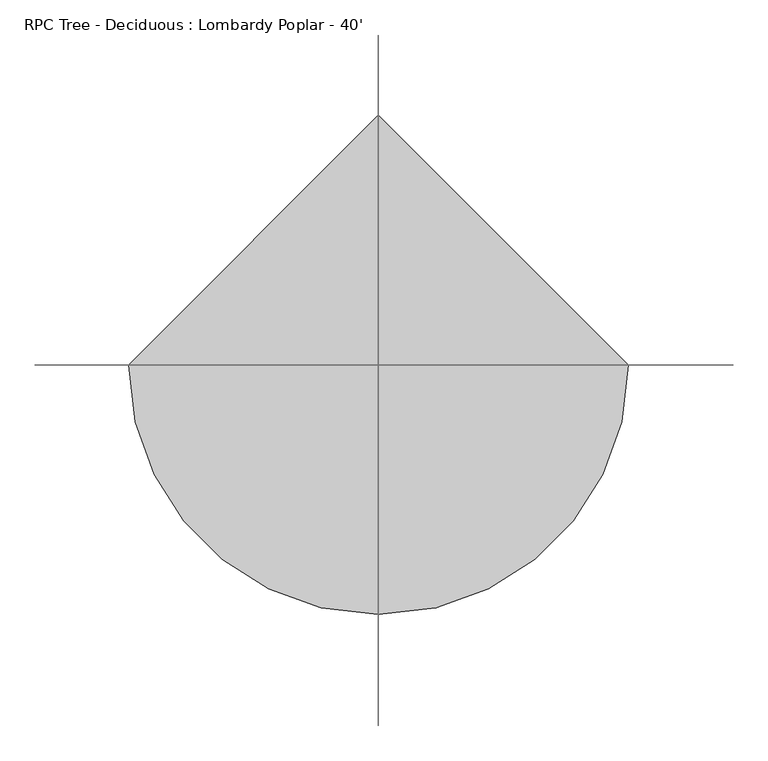
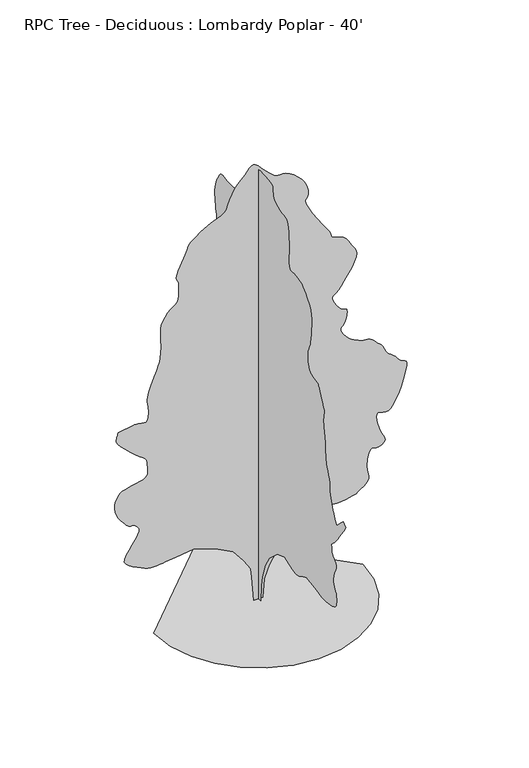
"""IFC4 building model written with IfcOpenShell, lengths in millimetres: geographic element geometry, RPC Tree - Deciduous : Lombardy Poplar - 40'."""

from ifc_helpers import new_model, si_unit, origin, place, context, project, spatial, triangles, source, transform, mapped, element, save


def rpc_tree_deciduous_lombardy_poplar_40_01077960(model_context):
    return source(origin(), model_context, "Body", "Tessellation", [
        triangles([(0.0009695, 113.8156909, 0.0), (0.0009695, -104.8345258, 0.0), (0.0009695, -123.055434, 437.3009239), (0.0009695, -177.7179314, 728.8340738), (0.0009695, -323.483707, 1129.6911467), (0.0009695, -505.6928613, 1439.4461494), (0.0009695, -870.1086628, 1767.420607), (0.0009695, -1216.3049732, 1894.9664555), (0.0009695, -1398.5142002, 1822.0838402), (0.0009695, -1476.390406, 1795.1523445), (0.0009695, -1552.9941605, 1770.6083485), (0.0009695, -1627.0451637, 1750.8472), (0.0009695, -1697.2735806, 1738.2588696), (0.0009695, -1762.3991112, 1735.2286766), (0.0009695, -1821.1516296, 1744.1542946), (0.0009695, -1872.2563591, 1767.420607), (0.0009695, -1919.1091679, 1797.0624023), (0.0009695, -1965.9644474, 1823.8364948), (0.0009695, -2012.8172562, 1848.2204716), (0.0009695, -2059.6700649, 1870.6891582), (0.0009695, -2106.5227283, 1891.7279903), (0.0009695, -2153.3780079, 1911.8067066), (0.0009695, -2200.2308167, 1931.4103065), (0.0009695, -2582.8711235, 1876.7470734), (0.0009695, -2649.2156204, 1861.2353748), (0.0009695, -2715.4080917, 1846.3611374), (0.0009695, -2781.27006, 1832.7619675), (0.0009695, -2846.6750793, 1821.0754715), (0.0009695, -2911.4196739, 1811.9366398), (0.0009695, -2975.3765259, 1805.987875), (0.0009695, -3038.3939003, 1803.8619873), (0.0009695, -3111.6472778, 1806.252103), (0.0009695, -3200.5217949, 1814.0625275), (0.0009695, -3296.0764275, 1828.2459641), (0.0009695, -3389.4213112, 1849.7596218), (0.0009695, -3471.5901329, 1879.5614365), (0.0009695, -3533.6930283, 1918.6062916), (0.0009695, -3566.7892639, 1967.8516869), (0.0009695, -3579.2353065, 2021.4507408), (0.0009695, -3585.9154221, 2073.1371208), (0.0009695, -3587.8205383, 2123.2333363), (0.0009695, -3585.9154221, 2172.0521587), (0.0009695, -3581.1401321, 2219.915807), (0.0009695, -3574.4347275, 2267.139378), (0.0009695, -3566.7892639, 2314.0455265), (0.0009695, -3532.0422569, 2353.5170998), (0.0009695, -3499.7078934, 2395.5361919), (0.0009695, -3472.1235306, 2442.6555542), (0.0009695, -3451.7273918, 2497.4231415), (0.0009695, -3440.907122, 2562.3988266), (0.0009695, -3441.9992065, 2640.0972816), (0.0009695, -3457.4677391, 2733.1372421), (0.0009695, -3484.5187042, 2825.1865654), (0.0009695, -3515.3799019, 2900.6752716), (0.0009695, -3544.9708282, 2963.0830902), (0.0009695, -3568.1862717, 3015.940329), (0.0009695, -3579.9210205, 3062.7525879), (0.0009695, -3575.0695724, 3106.9993057), (0.0009695, -3548.5775848, 3152.2110809), (0.0009695, -3509.7918709, 3193.1050964), (0.0009695, -3472.6063499, 3225.0836678), (0.0009695, -3438.6212151, 3252.6171616), (0.0009695, -3409.3857903, 3280.1253662), (0.0009695, -3386.5511375, 3312.1039375), (0.0009695, -3371.6668716, 3352.997953), (0.0009695, -3366.3581841, 3407.3030685), (0.0009695, -3362.7005585, 3460.5158089), (0.0009695, -3354.9027786, 3498.4634926), (0.0009695, -3347.7145546, 3525.8699593), (0.0009695, -3345.9620453, 3547.5360786), (0.0009695, -3354.4202499, 3568.2624298), (0.0009695, -3377.8388786, 3592.7987228), (0.0009695, -3421.0188011, 3625.9458275), (0.0009695, -3481.5215034, 3679.8698616), (0.0009695, -3552.5654228, 3760.5655174), (0.0009695, -3632.3465996, 3863.5624283), (0.0009695, -3719.1381042, 3984.4155167), (0.0009695, -3811.2130074, 4118.6541252), (0.0009695, -3906.7676399, 4261.8084686), (0.0009695, -4004.1003616, 4409.432888), (0.0009695, -3894.7788368, 4518.779702), (0.0009695, -3749.0086647, 4391.221209), (0.0009695, -3603.2382019, 4227.2390671), (0.0009695, -3579.7434151, 4258.785688), (0.0009695, -3555.9689941, 4292.2630051), (0.0009695, -3531.5088593, 4329.5499733), (0.0009695, -3506.1342453, 4372.5775795), (0.0009695, -3479.4643616, 4423.2506493), (0.0009695, -3451.1939941, 4483.4992973), (0.0009695, -3421.0188011, 4555.2033508), (0.0009695, -3390.0055779, 4628.5837555), (0.0009695, -3360.2623352, 4695.8683113), (0.0009695, -3333.0587631, 4762.2383881), (0.0009695, -3309.6910034, 4832.7233299), (0.0009695, -3291.4028755, 4912.4536377), (0.0009695, -3279.5158104, 5006.5351044), (0.0009695, -3275.248629, 5120.0473618), (0.0009695, -3267.0697678, 5234.8554703), (0.0009695, -3245.5050957, 5333.3820145), (0.0009695, -3215.0252701, 5421.7481323), (0.0009695, -3180.0747871, 5505.9238083), (0.0009695, -3145.0993057, 5592.0551788), (0.0009695, -3114.6191895, 5686.1110657), (0.0009695, -3093.0545174, 5794.238768), (0.0009695, -3079.5672592, 5892.1298859), (0.0009695, -3069.8899429, 5959.4403122), (0.0009695, -3063.4130127, 6007.9286316), (0.0009695, -3059.4760437, 6049.4319122), (0.0009695, -3057.4691895, 6095.6854843), (0.0009695, -3056.7073174, 6158.5246719), (0.0009695, -3056.6055794, 6249.735965), (0.0009695, -3052.5671631, 6343.1320084), (0.0009695, -3042.1532639, 6412.2958099), (0.0009695, -3027.9291321, 6468.709227), (0.0009695, -3012.4097305, 6523.8523727), (0.0009695, -2998.1858894, 6589.2065231), (0.0009695, -2987.7716995, 6676.2017944), (0.0009695, -2983.7332832, 6796.3688782), (0.0009695, -2989.2957344, 6908.7381821), (0.0009695, -3001.5638809, 6976.78461), (0.0009695, -3013.8576073, 7018.6948425), (0.0009695, -3019.4200584, 7052.6288177), (0.0009695, -3011.6222786, 7096.7737976), (0.0009695, -2983.7332832, 7169.2908829), (0.0009695, -2929.0723755, 7288.340593), (0.0009695, -2866.7410057, 7418.1088348), (0.0009695, -2818.7857933, 7514.4256302), (0.0009695, -2782.7688057, 7582.8528488), (0.0009695, -2756.3021072, 7628.9541046), (0.0009695, -2737.0233421, 7658.3418457), (0.0009695, -2722.5201576, 7676.5535248), (0.0009695, -2710.4043274, 7689.2027527), (0.0009695, -2636.5666832, 7701.2421341), (0.0009695, -2564.8117607, 7715.3901077), (0.0009695, -2497.1818771, 7733.6523651), (0.0009695, -2435.7748695, 7758.1380798), (0.0009695, -2382.6507866, 7790.9296829), (0.0009695, -2339.8900246, 7834.0584457), (0.0009695, -2309.5548122, 7889.6335419), (0.0009695, -2289.3160767, 7951.0257248), (0.0009695, -2274.8152176, 8010.5377899), (0.0009695, -2265.0921192, 8068.4243729), (0.0009695, -2259.1968395, 8125.0662643), (0.0009695, -2256.1691174, 8180.7425171), (0.0009695, -2255.0515984, 8235.7589264), (0.0009695, -2254.8940498, 8290.4707031), (0.0009695, -2285.970932, 8345.7405853), (0.0009695, -2316.0901691, 8404.491069), (0.0009695, -2344.2968777, 8470.25159), (0.0009695, -2369.6358833, 8546.5277481), (0.0009695, -2391.1521572, 8636.8495605), (0.0009695, -2407.8857288, 8744.6726303), (0.0009695, -2418.8812786, 8873.551973), (0.0009695, -2430.0903328, 9004.9206985), (0.0009695, -2443.8493767, 9121.3031296), (0.0009695, -2453.7833633, 9227.8303482), (0.0009695, -2453.5168098, 9329.5572784), (0.0009695, -2436.6765587, 9431.5888412), (0.0009695, -2396.8874176, 9539.0561188), (0.0009695, -2327.7766651, 9657.0390335), (0.0009695, -2247.8811058, 9768.2398041), (0.0009695, -2177.228587, 9854.8798645), (0.0009695, -2111.6764835, 9921.4269653), (0.0009695, -2047.0792637, 9972.3796692), (0.0009695, -1979.2969185, 10012.156311), (0.0009695, -1904.1815907, 10045.2519653), (0.0009695, -1817.5931259, 10076.1128723), (0.0009695, -1725.5334835, 10094.8326599), (0.0009695, -1638.891679, 10096.3058258), (0.0009695, -1560.8554539, 10092.3688568), (0.0009695, -1494.6124043, 10094.8326599), (0.0009695, -1443.3501263, 10115.4325653), (0.0009695, -1410.2540359, 10166.0038971), (0.0009695, -1398.5142002, 10258.3319824), (0.0009695, -1400.4267288, 10362.6756134), (0.0009695, -1404.8895378, 10448.1971375), (0.0009695, -1409.9898079, 10525.1087219), (0.0009695, -1413.8125397, 10603.619046), (0.0009695, -1414.4501461, 10693.9414398), (0.0009695, -1409.9898079, 10806.2345856), (0.0009695, -1398.5142002, 10950.7350677), (0.0009695, -1382.6849339, 11097.4458801), (0.0009695, -1365.5779839, 11211.9737732), (0.0009695, -1345.9235149, 11297.8255096), (0.0009695, -1322.4438435, 11358.4811096), (0.0009695, -1293.8637566, 11397.4694275), (0.0009695, -1258.9083321, 11418.297226), (0.0009695, -1216.3049732, 11424.470105), (0.0009695, -1155.4822323, 11429.9813965), (0.0009695, -1073.3006933, 11446.3641174), (0.0009695, -979.6484882, 11473.2380585), (0.0009695, -884.3986336, 11510.3218414), (0.0009695, -797.4393339, 11557.2608368), (0.0009695, -728.6460766, 11613.8015717), (0.0009695, -687.9020519, 11679.5615112), (0.0009695, -672.8677952, 11749.3607391), (0.0009695, -668.0341513, 11816.289212), (0.0009695, -663.5180752, 11877.4785004), (0.0009695, -649.4413908, 11930.0811035), (0.0009695, -615.9210531, 11971.2041748), (0.0009695, -553.0790314, 11997.9757965), (0.0009695, -451.0296281, 12007.5263763), (0.0009695, -327.7864603, 12011.2087097), (0.0009695, -210.2816959, 12019.0070709), (0.0009695, -102.0189364, 12026.1694244), (0.0009695, -6.5056406, 12027.9216431), (0.0009695, 72.7523407, 12019.4895996), (0.0009695, 132.2489498, 11996.0700989), (0.0009695, 168.4781792, 11952.8657593), (0.0009695, 190.2581361, 11903.7920105), (0.0009695, 211.0820467, 11861.400412), (0.0009695, 234.4553475, 11819.0076508), (0.0009695, 263.8852554, 11769.9094849), (0.0009695, 302.8767344, 11707.4505066), (0.0009695, 354.9364746, 11624.9008942), (0.0009695, 423.5697126, 11515.57966), (0.0009695, 499.5867296, 11399.1204895), (0.0009695, 572.09851, 11297.9778259), (0.0009695, 642.0601553, 11209.5867096), (0.0009695, 710.4292379, 11131.3798553), (0.0009695, 778.1582434, 11060.8446259), (0.0009695, 846.2072874, 10995.3881561), (0.0009695, 915.531399, 10932.4978088), (0.0009695, 983.7404623, 10880.5556305), (0.0009695, 1048.444289, 10847.0786041), (0.0009695, 1110.5954372, 10828.282077), (0.0009695, 1171.1565662, 10820.3069824), (0.0009695, 1231.077618, 10819.3407623), (0.0009695, 1291.3160923, 10821.5766724), (0.0009695, 1352.8322502, 10823.1765747), (0.0009695, 1419.1287849, 10828.7646057), (0.0009695, 1490.5254444, 10841.0324615), (0.0009695, 1563.194846, 10853.3014801), (0.0009695, 1633.3164379, 10858.8639313), (0.0009695, 1697.0626923, 10851.0655701), (0.0009695, 1750.6084064, 10823.1765747), (0.0009695, 1790.1333195, 10768.5159576), (0.0009695, 1824.1844387, 10700.9526398), (0.0009695, 1861.7408672, 10636.2333344), (0.0009695, 1899.617189, 10570.5745514), (0.0009695, 1934.6234825, 10500.1404785), (0.0009695, 1963.5743317, 10421.0953033), (0.0009695, 1983.2847565, 10329.6299561), (0.0009695, 1990.5617832, 10221.8830444), (0.0009695, 1988.4357502, 10111.0130676), (0.0009695, 1982.4871307, 10010.9877777), (0.0009695, 1973.3507698, 9919.2433777), (0.0009695, 1961.6642738, 9833.2381622), (0.0009695, 1948.0651039, 9750.4350769), (0.0009695, 1933.1908665, 9668.2656738), (0.0009695, 1917.6791679, 9584.1667374), (0.0009695, 1914.3314072, 9505.3761978), (0.0009695, 1931.0649788, 9438.0663528), (0.0009695, 1961.1842159, 9378.0967575), (0.0009695, 1997.9989746, 9321.3025497), (0.0009695, 2034.813588, 9263.5682831), (0.0009695, 2064.9328251, 9200.7290955), (0.0009695, 2081.6663967, 9128.6439606), (0.0009695, 2081.1888096, 9058.6668365), (0.0009695, 2066.6854797, 9001.7964706), (0.0009695, 2041.9840805, 8953.1808334), (0.0009695, 2010.9071983, 8908.0707962), (0.0009695, 1977.2826519, 8861.6904877), (0.0009695, 1944.9307022, 8809.2646179), (0.0009695, 1917.6791679, 8745.9934799), (0.0009695, 1901.8472855, 8673.7048691), (0.0009695, 1900.361475, 8598.2164536), (0.0009695, 1911.9412914, 8520.8229218), (0.0009695, 1935.3142834, 8442.7939636), (0.0009695, 1969.2055286, 8365.374852), (0.0009695, 2012.3422852, 8289.8864365), (0.0009695, 2063.4443985, 8217.5978256), (0.0009695, 2116.1951031, 8158.060762), (0.0009695, 2166.3955273, 8113.7884644), (0.0009695, 2215.9584904, 8075.6123062), (0.0009695, 2266.796521, 8034.2101822), (0.0009695, 2320.8222931, 7980.4134659), (0.0009695, 2379.9457191, 7904.924469), (0.0009695, 2446.0820892, 7798.5239868), (0.0009695, 2515.4595406, 7684.1478287), (0.0009695, 2583.8870499, 7588.5931961), (0.0009695, 2652.6194824, 7508.3039108), (0.0009695, 2722.9518173, 7439.8511124), (0.0009695, 2796.1546165, 7379.653624), (0.0009695, 2873.4972794, 7324.2558426), (0.0009695, 2956.2759476, 7270.103334), (0.0009695, 3039.9940933, 7227.3042023), (0.0009695, 3119.5720848, 7202.0063278), (0.0009695, 3195.3148453, 7185.0137604), (0.0009695, 3267.5522964, 7167.0555542), (0.0009695, 3336.6149414, 7138.9125046), (0.0009695, 3402.807122, 7091.3130844), (0.0009695, 3466.4593414, 7015.0113464), (0.0009695, 3525.2604034, 6921.5903046), (0.0009695, 3575.4506538, 6829.7441666), (0.0009695, 3615.1508469, 6741.0728348), (0.0009695, 3642.3797081, 6657.2023727), (0.0009695, 3655.3082794, 6579.6815231), (0.0009695, 3651.9552864, 6510.1619293), (0.0009695, 3630.4414833, 6450.1673355), (0.0009695, 3590.004998, 6392.5348068), (0.0009695, 3534.6075073, 6330.4316208), (0.0009695, 3469.3295151, 6266.1192673), (0.0009695, 3399.2512344, 6201.7813339), (0.0009695, 3329.5028755, 6139.6781479), (0.0009695, 3265.1646515, 6082.0456192), (0.0009695, 3211.3676445, 6031.0934967), (0.0009695, 3161.7869499, 5985.0939789), (0.0009695, 3109.3613708, 5939.7298874), (0.0009695, 3057.8758507, 5893.4001572), (0.0009695, 3011.1906189, 5844.5304657), (0.0009695, 2973.1159081, 5791.5209106), (0.0009695, 2947.4366615, 5732.7710083), (0.0009695, 2938.0386887, 5666.680275), (0.0009695, 2934.1778778, 5597.4141541), (0.0009695, 2924.8816429, 5529.7235184), (0.0009695, 2913.6547119, 5463.0235199), (0.0009695, 2904.0535538, 5396.6025742), (0.0009695, 2899.5323181, 5329.8764145), (0.0009695, 2903.6218941, 5262.2113586), (0.0009695, 2919.8270096, 5192.9452377), (0.0009695, 2944.8458313, 5126.3719757), (0.0009695, 2972.7351173, 5066.5046997), (0.0009695, 3003.0117577, 5012.2248734), (0.0009695, 3035.1935143, 4962.3901245), (0.0009695, 3068.8231476, 4915.908078), (0.0009695, 3103.4178383, 4871.6613602), (0.0009695, 3138.4697685, 4828.5323067), (0.0009695, 3181.1415825, 4835.3141602), (0.0009695, 3222.035598, 4836.0760323), (0.0009695, 3259.4243042, 4824.696785), (0.0009695, 3291.5807716, 4795.1567276), (0.0009695, 3316.7013313, 4741.4102989), (0.0009695, 3333.0587631, 4657.3619408), (0.0009695, 3338.9008484, 4536.9916718), (0.0009695, 3338.9008484, 3935.6984322), (0.0009695, 3345.6065437, 3757.6444748), (0.0009695, 3361.2273926, 3611.1377197), (0.0009695, 3379.0582809, 3492.0371407), (0.0009695, 3392.4440918, 3396.2031647), (0.0009695, 3394.6791298, 3319.4953468), (0.0009695, 3379.0582809, 3257.747953), (0.0009695, 3338.9008484, 3206.8719887), (0.0009695, 3281.573243, 3178.2461197), (0.0009695, 3221.7053856, 3174.1568344), (0.0009695, 3163.4380119, 3176.747374), (0.0009695, 3110.9106949, 3168.187722), (0.0009695, 3068.2388809, 3130.6466995), (0.0009695, 3039.6130119, 3046.21726), (0.0009695, 3029.1482437, 2897.119384), (0.0009695, 3036.0571243, 2732.8070297), (0.0009695, 3053.1514297, 2608.9823204), (0.0009695, 3075.0460236, 2517.0268867), (0.0009695, 3096.3057724, 2448.3400909), (0.0009695, 3111.4949615, 2394.3144642), (0.0009695, 3115.2034561, 2346.3441364), (0.0009695, 3102.0208305, 2295.8261444), (0.0009695, 3089.0669701, 2254.1778145), (0.0009695, 3089.803553, 2232.6106716), (0.0009695, 3093.4355988, 2222.1992432), (0.0009695, 3089.0669701, 2214.0179111), (0.0009695, 3065.9021049, 2199.1436737), (0.0009695, 3013.0954445, 2168.6510582), (0.0009695, 2919.8270096, 2113.6169174), (0.0009695, 2822.3419716, 2052.8450455), (0.0009695, 2753.55867, 2008.9666191), (0.0009695, 2697.5010452, 1978.7940422), (0.0009695, 2638.2683235, 1959.1395733), (0.0009695, 2559.9350235, 1946.8154709), (0.0009695, 2446.5088074, 1938.6341389), (0.0009695, 2282.0948605, 1931.4103065), (0.0009695, 2105.8903542, 1933.6938881), (0.0009695, 1963.4702682, 1951.9132702), (0.0009695, 1848.4591198, 1979.6982021), (0.0009695, 1754.4869488, 2010.665934), (0.0009695, 1675.1755108, 2038.4483952), (0.0009695, 1604.1522297, 2056.670248), (0.0009695, 1535.0414772, 2058.9536842), (0.0009695, 1460.510416, 2049.0198429), (0.0009695, 1378.3312752, 2035.2631245), (0.0009695, 1289.7769421, 2018.3163391), (0.0009695, 1196.1221935, 1998.8218895), (0.0009695, 1098.6447859, 1977.4122952), (0.0009695, 998.6146271, 1954.7301041), (0.0009695, 897.3120169, 1931.4103065), (0.0009695, 532.8936719, 1639.8747585), (0.0009695, 314.2457534, 1166.1349977), (0.0009695, 168.4781792, 601.2881527), (120.1776209, 0.0005334, 0.0085345), (-116.69275, 0.0005334, 0.0085345), (-171.3552383, 0.0004849, 655.9590162), (-207.7973272, 0.0004849, 911.0508585), (-390.006209, 0.0004607, 1202.5839357), (-663.3174334, 0.0004364, 1548.7803188), (-1137.0596649, 0.0004122, 1803.8721611), (-1720.1284355, 0.0004122, 1986.078772), (-2193.8681236, 0.0004122, 1931.4180096), (-2467.1819641, 0.0004122, 1894.9766293), (-2533.7959213, 0.0004122, 1885.46689), (-2607.4327057, 0.0004122, 1874.6820831), (-2686.1473778, 0.0004122, 1865.812421), (-2768.0621452, 0.0004122, 1862.0405582), (-2851.2468933, 0.0004122, 1866.556707), (-2933.7967964, 0.0004122, 1882.5459927), (-3013.8067383, 0.0004122, 1913.1960114), (-3104.2814484, 0.0004122, 1955.5886272), (-3210.9865631, 0.0004122, 2004.6715324), (-3321.222567, 0.0004122, 2060.4522846), (-3422.2126236, 0.0004122, 2122.9234715), (-3501.2066391, 0.0003879, 2192.0875637), (-3545.4533569, 0.0003879, 2267.9445614), (-3542.2021019, 0.0003879, 2350.4969353), (-3495.1869484, 0.0003879, 2447.2326004), (-3424.930481, 0.0003879, 2559.9094437), (-3343.8031654, 0.0003637, 2679.898922), (-3264.2757523, 0.0003637, 2798.6437088), (-3198.7692856, 0.0003637, 2907.4824142), (-3159.7295174, 0.0003394, 2997.8300972), (-3159.5772011, 0.0003394, 3061.1015259), (-3182.9958298, 0.0003394, 3103.1893639), (-3206.4147491, 0.0003394, 3136.6411011), (-3229.8589577, 0.0003394, 3162.9554832), (-3253.2775864, 0.0003394, 3183.5039383), (-3276.6962151, 0.0003394, 3199.7599228), (-3300.1404236, 0.0003394, 3213.1457336), (-3323.559343, 0.0003394, 3225.1089569), (-3347.1558678, 0.0003394, 3221.5783585), (-3371.6921608, 0.0003394, 3220.486274), (-3398.1335701, 0.0003394, 3224.1438995), (-3427.4704422, 0.0003394, 3234.9897491), (-3460.6175468, 0.0003394, 3255.3858879), (-3498.5396507, 0.0003394, 3287.7199608), (-3542.2021019, 0.0003394, 3334.4304817), (-3593.6370438, 0.0003394, 3395.5174507), (-3650.1519081, 0.0003152, 3468.3897469), (-3705.7270042, 0.0003152, 3551.4730476), (-3754.2664833, 0.0003152, 3643.1668694), (-3789.7500732, 0.0003152, 3741.8713097), (-3806.1330849, 0.0002909, 3845.9855942), (-3797.2937988, 0.0002909, 3953.9354004), (-3771.4366562, 0.0002909, 4051.5730453), (-3739.8138771, 0.0002909, 4128.1791252), (-3701.2057686, 0.0002909, 4187.2342415), (-3654.2920624, 0.0002667, 4232.2937004), (-3597.828067, 0.0002667, 4266.812233), (-3530.518222, 0.0002667, 4294.3457268), (-3451.117836, 0.0002667, 4318.3486221), (-3356.8078949, 0.0002667, 4338.3131012), (-3252.3378181, 0.0002667, 4355.4326958), (-3147.5122398, 0.0002667, 4375.7270966), (-3052.2622398, 0.0002667, 4405.2674446), (-2976.4689011, 0.0002667, 4450.0981384), (-2929.9868546, 0.0002667, 4516.2906097), (-2922.6971832, 0.0002667, 4609.8895477), (-2933.5936111, 0.0002425, 4707.6283493), (-2938.4197701, 0.0002425, 4784.9713028), (-2942.3058701, 0.0002425, 4846.0582718), (-2950.332415, 0.0002425, 4895.0291199), (-2967.578746, 0.0002425, 4936.0504532), (-2999.2018158, 0.0002425, 4973.2359741), (-3050.2556763, 0.0002425, 5010.7517075), (-3135.4978569, 0.0002182, 5072.041571), (-3254.8777794, 0.0002182, 5168.7141586), (-3391.1232422, 0.0002182, 5287.0778641), (-3527.0637817, 0.0002182, 5413.3916656), (-3645.4783562, 0.000194, 5533.9906998), (-3729.1459236, 0.000194, 5635.1333633), (-3760.8704407, 0.000194, 5703.129213), (-3759.2702477, 0.000194, 5747.3247711), (-3754.799881, 0.000194, 5786.7456207), (-3747.9418694, 0.000194, 5822.178923), (-3739.1787415, 0.0001697, 5854.4112579), (-3728.9933167, 0.0001697, 5884.2815277), (-3717.8428345, 0.0001697, 5912.5263153), (-3706.2095329, 0.0001697, 5940.0089401), (-3268.8984352, 0.0001697, 6012.8818176), (-3174.1312546, 0.0001697, 6014.48172), (-3093.0545174, 0.0001697, 5998.8605804), (-3026.0240158, 0.0001697, 5982.2743835), (-2973.319384, 0.0001697, 5981.0046936), (-2935.2955421, 0.0001697, 6011.2813339), (-2912.232415, 0.0001697, 6089.3864502), (-2904.4852135, 0.0001697, 6231.5242859), (-2910.9624344, 0.0001455, 6377.1421417), (-2925.0848282, 0.0001455, 6470.4870255), (-2938.9022987, 0.0001455, 6535.1301727), (-2944.4394608, 0.0001455, 6594.6678177), (-2933.6953491, 0.0001212, 6672.7217743), (-2898.7448662, 0.0001212, 6792.8126999), (-2831.5873375, 0.0001212, 6978.5879883), (-2754.346122, 9.7e-05, 7175.5649185), (-2693.3861801, 9.7e-05, 7325.0435852), (-2647.0567406, 9.7e-05, 7444.2456116), (-2613.8081886, 7.27e-05, 7550.3920395), (-2592.0150421, 7.27e-05, 7660.678331), (-2580.127977, 7.27e-05, 7792.3011108), (-2576.4956406, 4.85e-05, 7962.5064194), (-2580.0009499, 4.85e-05, 8135.9626923), (-2586.7063545, 4.85e-05, 8272.4363388), (-2590.8467995, 2.42e-05, 8381.8087326), (-2586.7063545, 2.42e-05, 8473.985083), (-2568.5455444, 2.42e-05, 8558.8211838), (-2530.6106506, 2.42e-05, 8646.1972458), (-2467.1819641, 0.0, 8746.0190598), (-2393.5550629, 0.0, 8838.8046753), (-2328.8511635, 0.0, 8903.8797729), (-2273.0728821, 0.0, 8949.1932861), (-2226.2200733, 0.0, 8982.7208908), (-2188.2902664, 0.0, 9012.4138458), (-2159.2860775, 0.0, 9046.2460831), (-2139.2048904, 0.0, 9092.1950226), (-2125.7124001, -2.42e-05, 9135.3493652), (-2116.0452576, -2.42e-05, 9162.8575699), (-2109.5630951, -2.42e-05, 9185.920697), (-2105.6338291, -2.42e-05, 9215.6642303), (-2103.6144756, -2.42e-05, 9263.2636505), (-2102.8701897, -2.42e-05, 9339.8700211), (-2102.7661263, -2.42e-05, 9456.6332428), (-2113.0708752, -4.85e-05, 9567.5549606), (-2136.1264446, -4.85e-05, 9634.4840149), (-2160.137043, -4.85e-05, 9680.3817947), (-2173.3094948, -4.85e-05, 9728.1846909), (-2163.855566, -4.85e-05, 9800.8540924), (-2119.9745235, -7.27e-05, 9921.3258087), (-2029.8808949, -7.27e-05, 10112.5618103), (-1939.4672276, -7.27e-05, 10305.830246), (-1888.8958958, -9.7e-05, 10431.5097839), (-1857.7656738, -9.7e-05, 10511.3165405), (-1825.6805683, -9.7e-05, 10566.8654755), (-1772.2389175, -9.7e-05, 10619.9006104), (-1677.0450188, -9.7e-05, 10692.0369049), (-1519.6973557, -0.0001212, 10804.9648956), (-1341.6868549, -0.0001212, 10917.309201), (-1195.5481733, -0.0001212, 10985.3806274), (-1077.4586517, -0.0001212, 11027.29086), (-983.5905441, -0.0001212, 11061.2248352), (-910.1237349, -0.0001212, 11105.3698151), (-853.2303326, -0.0001455, 11177.8874817), (-809.0852074, -0.0001455, 11296.9371918), (-759.9464916, -0.0001455, 11440.4714539), (-694.8717573, -0.0001697, 11572.8563965), (-620.2365601, -0.0001697, 11691.8293671), (-542.413585, -0.0001697, 11795.2079407), (-467.775808, -0.0001697, 11880.7294647), (-402.7036534, -0.0001697, 11946.1847717), (-353.5649014, -0.000194, 11989.3146973), (-315.2642959, -0.000194, 12029.8529205), (-276.9611651, -0.000194, 12081.541626), (-236.4299363, -0.000194, 12133.2303314), (-191.4351718, -0.000194, 12173.7685547), (-139.7475292, -0.000194, 12191.9802338), (-79.1353495, -0.000194, 12176.7404663), (-7.3676139, -0.000194, 12116.8731903), (68.4904824, -0.000194, 12035.3130524), (139.8862108, -0.000194, 11962.0605469), (206.8199341, -0.0001697, 11896.4517609), (269.290376, -0.0001697, 11837.8797546), (327.3013518, -0.0001697, 11785.6573608), (380.8469934, -0.0001697, 11739.1753143), (429.9324057, -0.0001697, 11697.7987701), (477.3160323, -0.0001697, 11672.4491547), (527.8899076, -0.0001697, 11666.8622864), (584.8366133, -0.0001697, 11669.5795624), (651.343891, -0.0001697, 11669.0970337), (730.6019165, -0.0001697, 11653.9584229), (825.7958879, -0.0001697, 11612.684198), (940.1160175, -0.0001455, 11533.7913391), (1053.1051964, -0.0001455, 11434.3508972), (1143.4680674, -0.0001455, 11338.4148926), (1213.1096741, -0.0001455, 11245.0194305), (1263.9477047, -0.0001455, 11153.2238708), (1297.8921444, -0.0001212, 11062.0631561), (1316.8558125, -0.0001212, 10970.5978088), (1322.7537083, -0.0001212, 10877.8371918), (1310.6404942, -0.0001212, 10807.3019623), (1283.8688725, -0.0001212, 10768.6426941), (1256.7747414, -0.0001212, 10740.1444336), (1243.7064983, -9.7e-05, 10700.2154755), (1259.0074539, -9.7e-05, 10627.1141235), (1317.0158318, -9.7e-05, 10499.1998383), (1432.0777039, -7.27e-05, 10294.7809204), (1568.3356659, -7.27e-05, 10074.4362305), (1681.0074223, -4.85e-05, 9906.365094), (1771.0503273, -4.85e-05, 9780.3565063), (1839.4167938, -4.85e-05, 9686.22388), (1887.067083, -4.85e-05, 9613.757373), (1914.9562237, -4.85e-05, 9552.772142), (1924.041861, -2.42e-05, 9493.0571823), (1943.5896503, -2.42e-05, 9444.2892288), (1995.6494087, -2.42e-05, 9415.2822784), (2070.3380184, -2.42e-05, 9394.5812164), (2157.7773033, -2.42e-05, 9370.6797684), (2248.0842911, -2.42e-05, 9332.0972397), (2331.3809509, -2.42e-05, 9267.4035141), (2397.7841652, -2.42e-05, 9165.0928986), (2454.6240097, 0.0, 9055.2379761), (2511.1467224, 0.0, 8968.9542892), (2560.341394, 0.0, 8896.3866257), (2595.190139, 0.0, 8827.6541931), (2608.6773972, 0.0, 8752.8512009), (2593.7931313, 2.42e-05, 8662.1230179), (2543.5520119, 2.42e-05, 8545.5876892), (2481.3447624, 2.42e-05, 8432.1260101), (2431.8886242, 2.42e-05, 8349.5508179), (2390.080275, 2.42e-05, 8286.457576), (2350.8220608, 4.85e-05, 8231.3138489), (2309.0163277, 4.85e-05, 8172.6656845), (2259.5600441, 4.85e-05, 8099.0312256), (2197.3530853, 4.85e-05, 7998.9553574), (2127.0206051, 4.85e-05, 7904.0355698), (2060.8307499, 7.27e-05, 7844.1677124), (2005.159148, 7.27e-05, 7805.3311295), (1966.378521, 7.27e-05, 7773.5051651), (1950.8666771, 7.27e-05, 7734.6685822), (1964.9992447, 7.27e-05, 7674.8007248), (2015.1464745, 7.27e-05, 7579.8815186), (2080.6452381, 7.27e-05, 7478.1545883), (2137.5387131, 9.7e-05, 7404.1387573), (2187.2590794, 9.7e-05, 7353.262793), (2231.2468014, 9.7e-05, 7320.852562), (2270.9265015, 9.7e-05, 7302.3106705), (2307.7412601, 9.7e-05, 7293.0141449), (2343.1207867, 9.7e-05, 7288.340593), (2346.839455, 9.7e-05, 7260.6544922), (2349.4429298, 9.7e-05, 7230.9109589), (2349.8136921, 9.7e-05, 7197.027562), (2346.839455, 9.7e-05, 7156.9212891), (2339.4022636, 9.7e-05, 7108.5341263), (2326.3873604, 0.0001212, 7049.7842239), (2306.6795517, 0.0001212, 6978.5879883), (2277.832766, 0.0001212, 6914.427951), (2243.2507198, 0.0001212, 6871.273027), (2210.5813477, 0.0001212, 6838.9901138), (2187.4724384, 0.0001212, 6807.3158844), (2181.5771587, 0.0001212, 6766.0922379), (2200.5406815, 0.0001212, 6705.1064255), (2252.0163185, 0.0001455, 6614.1747665), (2322.1379105, 0.0001455, 6519.5090332), (2391.3020027, 0.0001455, 6450.3452316), (2458.553421, 0.0001455, 6400.9424332), (2522.9372818, 0.0001455, 6365.5602905), (2583.5059685, 0.0001455, 6338.4584564), (2639.2842499, 0.0001455, 6313.9221634), (2689.322184, 0.0001455, 6286.184903), (2738.2427444, 0.0001455, 6263.7822006), (2790.6680328, 0.0001455, 6254.1048843), (2845.659153, 0.0001697, 6249.8632828), (2902.2248863, 0.0001697, 6243.6909851), (2959.4507538, 0.0001697, 6228.2989014), (3016.3466995, 0.0001697, 6196.3200394), (3071.9473755, 0.0001697, 6140.4403107), (3121.4519119, 0.0001697, 6084.0774719), (3162.3712166, 0.0001697, 6048.746489), (3197.2199615, 0.0001697, 6024.2607742), (3228.5633972, 0.0001697, 6000.4104858), (3258.9417755, 0.0001697, 5966.9840378), (3290.9203468, 0.0001697, 5913.8215851), (3327.0390724, 0.000194, 5830.687706), (3367.3235321, 0.000194, 5746.3091354), (3410.4525856, 0.000194, 5689.0573975), (3457.0869484, 0.000194, 5648.0366455), (3507.8614655, 0.000194, 5612.4510269), (3563.4365616, 0.000194, 5571.430275), (3624.4217926, 0.000194, 5514.178537), (3691.4522942, 0.0002182, 5429.8255463), (3759.9306725, 0.0002182, 5354.920816), (3822.0335678, 0.0002182, 5319.208461), (3873.620826, 0.0002182, 5301.6827866), (3910.5270035, 0.0002182, 5281.2863571), (3928.6625244, 0.0002182, 5236.989061), (3923.8110764, 0.0002182, 5147.7334625), (3891.883374, 0.0002425, 4992.5144485), (3839.8897453, 0.0002425, 4801.4304726), (3779.2600159, 0.0002667, 4621.8274818), (3712.6105957, 0.0002667, 4458.4801849), (3642.4302864, 0.0002667, 4316.1641624), (3571.3104996, 0.0002909, 4199.6799934), (3501.7653259, 0.0002909, 4113.777388), (3436.3605972, 0.0002909, 4063.2569252), (3368.5935127, 0.0002909, 4052.055574), (3295.6956367, 0.0002909, 4067.2956322), (3225.9981468, 0.0002909, 4088.6059593), (3167.7813515, 0.0002909, 4095.5657089), (3129.3258499, 0.0002909, 4067.7781609), (3118.9119507, 0.0002909, 3984.8471764), (3144.8452515, 0.0002909, 3826.3769073), (3196.8388802, 0.0003152, 3648.5264259), (3252.998243, 0.0003152, 3514.6686081), (3304.0521034, 0.0003152, 3415.2278755), (3340.7550957, 0.0003394, 3340.6280685), (3353.8615631, 0.0003394, 3281.3444778), (3334.1764275, 0.0003394, 3227.8015251), (3272.3784554, 0.0003394, 3170.4230507), (3191.911274, 0.0003394, 3134.2534561), (3121.6295174, 0.0003394, 3135.3711205), (3060.5934174, 0.0003394, 3150.839653), (3007.8379166, 0.0003394, 3157.6976646), (2962.4226654, 0.0003394, 3132.9834755), (2923.3828972, 0.0003394, 3053.7862747), (2889.7532639, 0.0003637, 2897.119384), (2876.0881096, 0.0003637, 2719.1165863), (2887.6196732, 0.0003879, 2584.1155243), (2909.3366615, 0.0003879, 2481.6546272), (2926.3039398, 0.0003879, 2401.1749466), (2923.4846352, 0.0003879, 2332.1708736), (2885.9180328, 0.0003879, 2264.1218296), (2798.6437088, 0.0003879, 2186.5098518), (2701.5906212, 0.0004122, 2115.113047), (2635.7792313, 0.0004122, 2068.2602383), (2587.7987297, 0.0004122, 2039.2560493), (2544.2885948, 0.0004122, 2021.4075748), (2491.8603996, 0.0004122, 2008.0191479), (2417.1185955, 0.0004122, 1992.4007698), (2306.6795517, 0.0004122, 1967.8592445), (2182.1079403, 0.0004122, 1946.8763683), (2070.9247559, 0.0004122, 1942.7844669), (1968.6644279, 0.0004122, 1950.1707893), (1870.8670544, 0.0004122, 1963.60994), (1773.0695354, 0.0004122, 1977.6865517), (1670.8093529, 0.0004122, 1986.9829319), (1559.6260231, 0.0004122, 1986.078772), (1454.709026, 0.0004122, 1976.1447853), (1371.7857445, 0.0004122, 1962.3882122), (1307.1885246, 0.0004122, 1945.4412815), (1257.2547993, 0.0004122, 1925.9468319), (1218.3166964, 0.0004122, 1904.5372375), (1186.70896, 0.0004122, 1881.8550465), (1158.7664795, 0.0004122, 1858.5353943), (1158.4464409, 0.0004364, 1761.2688023), (1156.2163445, 0.0004364, 1666.0722874), (1150.1584293, 0.0004364, 1575.0234844), (1138.3677246, 0.0004364, 1490.1876743), (1118.9240713, 0.0004364, 1413.6372597), (1089.9198824, 0.0004607, 1347.4475498), (1049.4399405, 0.0004607, 1293.6884766), (1004.179767, 0.0004607, 1251.6160446), (961.7897673, 0.0004607, 1218.1490467), (921.7874125, 0.0004607, 1191.8550121), (883.7001297, 0.0004607, 1171.2962379), (847.045463, 0.0004607, 1155.0403261), (811.3483686, 0.0004607, 1141.6519718), (776.1287888, 0.0004607, 1129.7013205), (466.3737496, 0.0004607, 1129.7013205), (284.1645772, 0.0004849, 856.3875526), (156.6199641, 0.0005092, 510.1912059), (-2766.0555817, 0.0, 0.0100862), (-2692.9292313, -633.8001217, 0.0100862), (-2484.680024, -1215.8427195, 0.0100862), (-2157.9602863, -1729.4553371, 0.0100862), (-1729.4553371, -2157.9602863, 0.0100862), (-1215.8427195, -2484.680024, 0.0100862), (-633.8001217, -2692.9292313, 0.0100862), (0.0001209, -2766.0555817, 0.0100862), (633.8001217, -2692.9292313, 0.0100862), (1215.8427195, -2484.680024, 0.0100862), (1729.4553371, -2157.9602863, 0.0100862), (2157.9602863, -1729.4553371, 0.0100862), (2484.680024, -1215.8427195, 0.0100862), (2692.9292313, -633.8001217, 0.0100862), (2766.0555817, 0.0002425, 0.0100862), (-0.0003627, 2766.0555817, 0.0100862)], [[1, 2, 3], [388, 1, 3], [388, 3, 4], [387, 388, 4], [387, 4, 5], [80, 81, 82], [79, 80, 82], [79, 82, 83], [78, 79, 83], [77, 78, 83], [387, 5, 6], [386, 387, 6], [76, 77, 83], [386, 6, 7], [359, 360, 361], [359, 361, 362], [385, 386, 7], [75, 76, 83], [75, 83, 84], [75, 84, 85], [74, 75, 85], [73, 74, 85], [73, 85, 86], [72, 73, 86], [72, 86, 87], [358, 359, 362], [358, 362, 363], [72, 87, 88], [131, 132, 133], [71, 72, 88], [130, 131, 133], [129, 130, 133], [71, 88, 89], [44, 45, 46], [128, 129, 133], [71, 89, 90], [207, 208, 209], [207, 209, 210], [206, 207, 210], [205, 206, 210], [205, 210, 211], [205, 211, 212], [204, 205, 212], [204, 212, 213], [203, 204, 213], [203, 213, 214], [203, 214, 215], [202, 203, 215], [202, 215, 216], [201, 202, 216], [200, 201, 216], [199, 200, 216], [198, 199, 216], [197, 198, 216], [196, 197, 216], [195, 196, 216], [194, 195, 216], [194, 216, 217], [193, 194, 217], [193, 217, 218], [193, 218, 219], [192, 193, 219], [192, 219, 220], [191, 192, 220], [191, 220, 221], [191, 221, 222], [190, 191, 222], [190, 222, 223], [128, 133, 134], [127, 128, 134], [71, 90, 91], [235, 236, 237], [234, 235, 237], [233, 234, 237], [233, 237, 238], [232, 233, 238], [232, 238, 239], [231, 232, 239], [231, 239, 240], [231, 240, 241], [231, 241, 242], [230, 231, 242], [230, 242, 243], [230, 243, 244], [230, 244, 245], [229, 230, 245], [229, 245, 246], [228, 229, 246], [228, 246, 247], [227, 228, 247], [227, 247, 248], [227, 248, 249], [226, 227, 249], [226, 249, 250], [226, 250, 251], [225, 226, 251], [225, 251, 252], [224, 225, 252], [71, 91, 92], [189, 190, 223], [330, 331, 332], [330, 332, 333], [329, 330, 333], [329, 333, 334], [328, 329, 334], [328, 334, 335], [328, 335, 336], [327, 328, 336], [385, 7, 8], [342, 343, 344], [341, 342, 344], [341, 344, 345], [340, 341, 345], [340, 345, 346], [339, 340, 346], [339, 346, 347], [338, 339, 347], [337, 338, 347], [337, 347, 348], [336, 337, 348], [327, 336, 348], [326, 327, 348], [325, 326, 348], [324, 325, 348], [323, 324, 348], [126, 127, 134], [126, 134, 135], [357, 358, 363], [357, 363, 364], [356, 357, 364], [355, 356, 364], [354, 355, 364], [353, 354, 364], [353, 364, 365], [352, 353, 365], [352, 365, 366], [352, 366, 367], [352, 367, 368], [352, 368, 369], [352, 369, 370], [351, 352, 370], [351, 370, 371], [351, 371, 372], [350, 351, 372], [350, 372, 373], [350, 373, 374], [350, 374, 375], [350, 375, 376], [349, 350, 376], [349, 376, 377], [348, 349, 377], [323, 348, 377], [323, 377, 378], [323, 378, 379], [323, 379, 380], [322, 323, 380], [322, 380, 381], [322, 381, 382], [321, 322, 382], [321, 382, 383], [321, 383, 384], [321, 384, 385], [321, 385, 8], [320, 321, 8], [319, 320, 8], [318, 319, 8], [317, 318, 8], [316, 317, 8], [315, 316, 8], [314, 315, 8], [313, 314, 8], [57, 58, 59], [56, 57, 59], [56, 59, 60], [55, 56, 60], [55, 60, 61], [54, 55, 61], [54, 61, 62], [53, 54, 62], [53, 62, 63], [53, 63, 64], [52, 53, 64], [36, 37, 38], [36, 38, 39], [35, 36, 39], [35, 39, 40], [35, 40, 41], [34, 35, 41], [34, 41, 42], [34, 42, 43], [33, 34, 43], [33, 43, 44], [33, 44, 46], [33, 46, 47], [32, 33, 47], [32, 47, 48], [31, 32, 48], [30, 31, 48], [30, 48, 49], [29, 30, 49], [28, 29, 49], [27, 28, 49], [26, 27, 49], [26, 49, 50], [25, 26, 50], [24, 25, 50], [24, 50, 51], [23, 24, 51], [23, 51, 52], [23, 52, 64], [23, 64, 65], [23, 65, 66], [23, 66, 67], [23, 67, 68], [23, 68, 69], [23, 69, 70], [22, 23, 70], [21, 22, 70], [20, 21, 70], [19, 20, 70], [18, 19, 70], [125, 126, 135], [125, 135, 136], [189, 223, 224], [189, 224, 252], [189, 252, 253], [188, 189, 253], [187, 188, 253], [186, 187, 253], [185, 186, 253], [184, 185, 253], [183, 184, 253], [182, 183, 253], [181, 182, 253], [180, 181, 253], [179, 180, 253], [178, 179, 253], [177, 178, 253], [176, 177, 253], [175, 176, 253], [174, 175, 253], [173, 174, 253], [172, 173, 253], [172, 253, 254], [172, 254, 255], [172, 255, 256], [172, 256, 257], [172, 257, 258], [172, 258, 259], [172, 259, 260], [172, 260, 261], [172, 261, 262], [172, 262, 263], [172, 263, 264], [172, 264, 265], [172, 265, 266], [172, 266, 267], [172, 267, 268], [172, 268, 269], [171, 172, 269], [171, 269, 270], [171, 270, 271], [170, 171, 271], [170, 271, 272], [169, 170, 272], [168, 169, 272], [167, 168, 272], [166, 167, 272], [165, 166, 272], [164, 165, 272], [163, 164, 272], [162, 163, 272], [161, 162, 272], [160, 161, 272], [159, 160, 272], [158, 159, 272], [157, 158, 272], [156, 157, 272], [155, 156, 272], [154, 155, 272], [153, 154, 272], [152, 153, 272], [151, 152, 272], [150, 151, 272], [149, 150, 272], [148, 149, 272], [147, 148, 272], [146, 147, 272], [145, 146, 272], [144, 145, 272], [143, 144, 272], [142, 143, 272], [141, 142, 272], [140, 141, 272], [139, 140, 272], [138, 139, 272], [138, 272, 273], [138, 273, 274], [137, 138, 274], [137, 274, 275], [137, 275, 276], [137, 276, 277], [137, 277, 278], [137, 278, 279], [137, 279, 280], [137, 280, 281], [137, 281, 282], [137, 282, 283], [136, 137, 283], [125, 136, 283], [124, 125, 283], [123, 124, 283], [122, 123, 283], [121, 122, 283], [120, 121, 283], [119, 120, 283], [118, 119, 283], [117, 118, 283], [116, 117, 283], [115, 116, 283], [114, 115, 283], [113, 114, 283], [112, 113, 283], [111, 112, 283], [110, 111, 283], [109, 110, 283], [108, 109, 283], [107, 108, 283], [106, 107, 283], [105, 106, 283], [104, 105, 283], [103, 104, 283], [103, 283, 284], [102, 103, 284], [102, 284, 285], [101, 102, 285], [100, 101, 285], [99, 100, 285], [98, 99, 285], [97, 98, 285], [96, 97, 285], [95, 96, 285], [94, 95, 285], [94, 285, 286], [93, 94, 286], [93, 286, 287], [92, 93, 287], [71, 92, 287], [70, 71, 287], [18, 70, 287], [17, 18, 287], [16, 17, 287], [15, 16, 287], [14, 15, 287], [13, 14, 287], [12, 13, 287], [11, 12, 287], [10, 11, 287], [9, 10, 287], [8, 9, 287], [313, 8, 287], [312, 313, 287], [311, 312, 287], [310, 311, 287], [309, 310, 287], [308, 309, 287], [307, 308, 287], [306, 307, 287], [305, 306, 287], [305, 287, 288], [304, 305, 288], [304, 288, 289], [303, 304, 289], [303, 289, 290], [303, 290, 291], [303, 291, 292], [303, 292, 293], [303, 293, 294], [303, 294, 295], [302, 303, 295], [302, 295, 296], [302, 296, 297], [301, 302, 297], [301, 297, 298], [300, 301, 298], [300, 298, 299], [745, 389, 390], [745, 390, 391], [744, 745, 391], [744, 391, 392], [622, 623, 624], [743, 744, 392], [743, 392, 393], [474, 475, 476], [473, 474, 476], [472, 473, 476], [471, 472, 476], [470, 471, 476], [469, 470, 476], [468, 469, 476], [467, 468, 476], [466, 467, 476], [465, 466, 476], [464, 465, 476], [464, 476, 477], [464, 477, 478], [464, 478, 479], [463, 464, 479], [463, 479, 480], [462, 463, 480], [461, 462, 480], [460, 461, 480], [460, 480, 481], [743, 393, 394], [622, 624, 625], [459, 460, 481], [621, 622, 625], [621, 625, 626], [621, 626, 627], [668, 669, 670], [668, 670, 671], [667, 668, 671], [667, 671, 672], [666, 667, 672], [620, 621, 627], [620, 627, 628], [620, 628, 629], [666, 672, 673], [620, 629, 630], [619, 620, 630], [619, 630, 631], [619, 631, 632], [619, 632, 633], [618, 619, 633], [618, 633, 634], [665, 666, 673], [550, 551, 552], [550, 552, 553], [549, 550, 553], [548, 549, 553], [548, 553, 554], [547, 548, 554], [547, 554, 555], [546, 547, 555], [545, 546, 555], [545, 555, 556], [544, 545, 556], [543, 544, 556], [543, 556, 557], [542, 543, 557], [542, 557, 558], [541, 542, 558], [541, 558, 559], [540, 541, 559], [539, 540, 559], [539, 559, 560], [538, 539, 560], [538, 560, 561], [617, 618, 634], [690, 691, 692], [690, 692, 693], [689, 690, 693], [689, 693, 694], [689, 694, 695], [689, 695, 696], [688, 689, 696], [688, 696, 697], [687, 688, 697], [687, 697, 698], [686, 687, 698], [410, 411, 412], [410, 412, 413], [409, 410, 413], [408, 409, 413], [408, 413, 414], [407, 408, 414], [407, 414, 415], [406, 407, 415], [406, 415, 416], [405, 406, 416], [404, 405, 416], [403, 404, 416], [402, 403, 416], [401, 402, 416], [400, 401, 416], [400, 416, 417], [399, 400, 417], [398, 399, 417], [397, 398, 417], [397, 417, 418], [396, 397, 418], [396, 418, 419], [665, 673, 674], [664, 665, 674], [663, 664, 674], [662, 663, 674], [661, 662, 674], [661, 674, 675], [661, 675, 676], [660, 661, 676], [660, 676, 677], [660, 677, 678], [660, 678, 679], [660, 679, 680], [660, 680, 681], [660, 681, 682], [660, 682, 683], [659, 660, 683], [659, 683, 684], [658, 659, 684], [537, 538, 561], [657, 658, 684], [656, 657, 684], [655, 656, 684], [654, 655, 684], [653, 654, 684], [652, 653, 684], [651, 652, 684], [650, 651, 684], [649, 650, 684], [648, 649, 684], [647, 648, 684], [646, 647, 684], [645, 646, 684], [644, 645, 684], [643, 644, 684], [642, 643, 684], [641, 642, 684], [640, 641, 684], [639, 640, 684], [537, 561, 562], [638, 639, 684], [704, 705, 706], [704, 706, 707], [703, 704, 707], [703, 707, 708], [702, 703, 708], [702, 708, 709], [702, 709, 710], [702, 710, 711], [702, 711, 712], [702, 712, 713], [701, 702, 713], [701, 713, 714], [701, 714, 715], [701, 715, 716], [701, 716, 717], [701, 717, 718], [700, 701, 718], [700, 718, 719], [700, 719, 720], [699, 700, 720], [699, 720, 721], [699, 721, 722], [698, 699, 722], [686, 698, 722], [685, 686, 722], [685, 722, 723], [685, 723, 724], [684, 685, 724], [638, 684, 724], [638, 724, 725], [637, 638, 725], [637, 725, 726], [637, 726, 727], [636, 637, 727], [636, 727, 728], [635, 636, 728], [574, 575, 576], [458, 459, 481], [396, 419, 420], [574, 576, 577], [573, 574, 577], [572, 573, 577], [571, 572, 577], [570, 571, 577], [569, 570, 577], [568, 569, 577], [568, 577, 578], [567, 568, 578], [566, 567, 578], [565, 566, 578], [564, 565, 578], [563, 564, 578], [562, 563, 578], [537, 562, 578], [537, 578, 579], [537, 579, 580], [536, 537, 580], [536, 580, 581], [536, 581, 582], [535, 536, 582], [534, 535, 582], [533, 534, 582], [532, 533, 582], [531, 532, 582], [530, 531, 582], [529, 530, 582], [528, 529, 582], [527, 528, 582], [526, 527, 582], [525, 526, 582], [524, 525, 582], [523, 524, 582], [522, 523, 582], [521, 522, 582], [520, 521, 582], [519, 520, 582], [518, 519, 582], [517, 518, 582], [516, 517, 582], [515, 516, 582], [515, 582, 583], [514, 515, 583], [514, 583, 584], [513, 514, 584], [513, 584, 585], [513, 585, 586], [513, 586, 587], [513, 587, 588], [513, 588, 589], [512, 513, 589], [511, 512, 589], [510, 511, 589], [509, 510, 589], [509, 589, 590], [508, 509, 590], [507, 508, 590], [506, 507, 590], [505, 506, 590], [504, 505, 590], [503, 504, 590], [502, 503, 590], [501, 502, 590], [500, 501, 590], [499, 500, 590], [498, 499, 590], [497, 498, 590], [496, 497, 590], [495, 496, 590], [494, 495, 590], [493, 494, 590], [492, 493, 590], [491, 492, 590], [490, 491, 590], [489, 490, 590], [488, 489, 590], [487, 488, 590], [486, 487, 590], [485, 486, 590], [484, 485, 590], [483, 484, 590], [482, 483, 590], [482, 590, 591], [482, 591, 592], [482, 592, 593], [482, 593, 594], [482, 594, 595], [482, 595, 596], [482, 596, 597], [482, 597, 598], [482, 598, 599], [482, 599, 600], [482, 600, 601], [482, 601, 602], [482, 602, 603], [482, 603, 604], [482, 604, 605], [482, 605, 606], [482, 606, 607], [482, 607, 608], [482, 608, 609], [482, 609, 610], [482, 610, 611], [482, 611, 612], [482, 612, 613], [482, 613, 614], [482, 614, 615], [482, 615, 616], [482, 616, 617], [482, 617, 634], [482, 634, 635], [482, 635, 728], [481, 482, 728], [458, 481, 728], [457, 458, 728], [456, 457, 728], [455, 456, 728], [454, 455, 728], [453, 454, 728], [452, 453, 728], [451, 452, 728], [451, 728, 729], [451, 729, 730], [451, 730, 731], [451, 731, 732], [451, 732, 733], [451, 733, 734], [451, 734, 735], [451, 735, 736], [451, 736, 737], [451, 737, 738], [451, 738, 739], [451, 739, 740], [451, 740, 741], [451, 741, 742], [451, 742, 743], [451, 743, 394], [451, 394, 395], [451, 395, 396], [451, 396, 420], [451, 420, 421], [451, 421, 422], [451, 422, 423], [450, 451, 423], [450, 423, 424], [450, 424, 425], [450, 425, 426], [449, 450, 426], [448, 449, 426], [447, 448, 426], [446, 447, 426], [445, 446, 426], [444, 445, 426], [443, 444, 426], [442, 443, 426], [441, 442, 426], [440, 441, 426], [439, 440, 426], [438, 439, 426], [437, 438, 426], [436, 437, 426], [435, 436, 426], [434, 435, 426], [433, 434, 426], [432, 433, 426], [431, 432, 426], [430, 431, 426], [430, 426, 427], [429, 430, 427], [428, 429, 427], [760, 761, 746], [759, 760, 746], [759, 746, 747], [758, 759, 747], [758, 747, 748], [758, 748, 749], [757, 758, 749], [756, 757, 749], [756, 749, 750], [756, 750, 751], [756, 751, 752], [756, 752, 753], [756, 753, 754], [756, 754, 755]], closed=False),
    ])


if __name__ == "__main__":
    model = new_model("IFC4")
    model_context = context("Model", 3, world=origin())
    ifc_project = project(units=[si_unit("LENGTHUNIT", "METRE", prefix="MILLI")], contexts=[model_context])
    site = spatial("IfcSite", under=ifc_project)
    building = spatial("IfcBuilding", under=site)
    placement = place(None, origin())
    rpc_tree_deciduous_lombardy_poplar_40_shape = rpc_tree_deciduous_lombardy_poplar_40_01077960(model_context)
    element("IfcGeographicElement", 1, ObjectType="RPC Tree - Deciduous : Lombardy Poplar - 40'", at=placement, inside=building, context=model_context, shape_type="MappedRepresentation", body=[
        mapped(rpc_tree_deciduous_lombardy_poplar_40_shape, transform((0.0, 0.0, 0.0), x_axis=(1.0, 0.0, 0.0), y_axis=(0.0, 1.0, 0.0), z_axis=(0.0, 0.0, 1.0))),
    ])
    save(model, "model.ifc")
